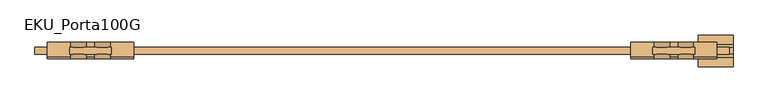
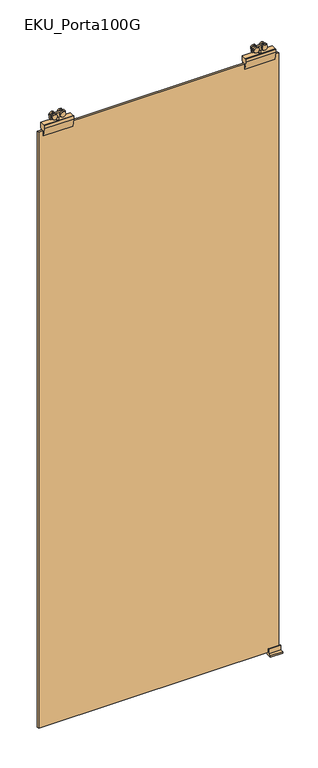
"""IFC4 building model written with IfcOpenShell, lengths in millimetres: door geometry, EKU_Porta100G."""

from ifc_helpers import new_model, si_unit, point, frame, frame_2d, origin, place, context, project, spatial, polyline, circle_curve, trimmed, segment, composite_curve, outline, extrude, source, transform, mapped, element, save


def eku_porta100g_1d5652cc(model_context):
    return source(origin(), model_context, "Body", "SweptSolid", [
        extrude(outline(polyline([(-12.5, 12.25), (47.5, 12.25), (47.5, 2.25), (-12.5, 2.25), (-12.5, 12.25)])), frame((0.0, 0.0, 2672.4593609), z_axis=(0.0, 0.0, 1.0), x_axis=(1.0, 0.0, 0.0)), (0.0, 0.0, 1.0), 18.5406391),
        extrude(outline(composite_curve([segment(trimmed(circle_curve(frame_2d((2683.5071727, 0.3437193)), 11.0), [point((2683.5071727, 11.3437193))], [point((2683.5071727, -10.6562807))], False, "CARTESIAN"), True, "CONTINUOUS"), segment(trimmed(circle_curve(frame_2d((2683.5071727, 0.3437193)), 11.0), [point((2683.5071727, -10.6562807))], [point((2683.5071727, 11.3437193))], False, "CARTESIAN"), True, "CONTINUOUS")], self_intersect=False)), frame((0.0, -4.75, 0.0), z_axis=(0.0, 1.0, 0.0), x_axis=(0.0, 0.0, 1.0)), (0.0, 0.0, 1.0), 7.0),
        extrude(outline(composite_curve([segment(trimmed(circle_curve(frame_2d((2683.5, 0.3437193)), 11.0), [point((2683.5, 11.3437193))], [point((2683.5, -10.6562807))], False, "CARTESIAN"), True, "CONTINUOUS"), segment(trimmed(circle_curve(frame_2d((2683.5, 0.3437193)), 11.0), [point((2683.5, -10.6562807))], [point((2683.5, 11.3437193))], False, "CARTESIAN"), True, "CONTINUOUS")], self_intersect=False)), frame((0.0, 12.25, 0.0), z_axis=(0.0, 1.0, 0.0), x_axis=(0.0, 0.0, 1.0)), (0.0, 0.0, 1.0), 7.0),
        extrude(outline(composite_curve([segment(trimmed(circle_curve(frame_2d((2683.5071727, 34.7187193)), 11.0), [point((2683.5071727, 45.7187193))], [point((2683.5071727, 23.7187193))], False, "CARTESIAN"), True, "CONTINUOUS"), segment(trimmed(circle_curve(frame_2d((2683.5071727, 34.7187193)), 11.0), [point((2683.5071727, 23.7187193))], [point((2683.5071727, 45.7187193))], False, "CARTESIAN"), True, "CONTINUOUS")], self_intersect=False)), frame((0.0, -4.75, 0.0), z_axis=(0.0, 1.0, 0.0), x_axis=(0.0, 0.0, 1.0)), (0.0, 0.0, 1.0), 7.0),
        extrude(outline(composite_curve([segment(trimmed(circle_curve(frame_2d((2683.5, 34.7187193)), 11.0), [point((2683.5, 45.7187193))], [point((2683.5, 23.7187193))], False, "CARTESIAN"), True, "CONTINUOUS"), segment(trimmed(circle_curve(frame_2d((2683.5, 34.7187193)), 11.0), [point((2683.5, 23.7187193))], [point((2683.5, 45.7187193))], False, "CARTESIAN"), True, "CONTINUOUS")], self_intersect=False)), frame((0.0, 12.25, 0.0), z_axis=(0.0, 1.0, 0.0), x_axis=(0.0, 0.0, 1.0)), (0.0, 0.0, 1.0), 7.0),
        extrude(outline(polyline([(13.5, 2.25), (13.5, 12.25), (21.5, 12.25), (21.5, 2.25), (13.5, 2.25)])), frame((0.0, 0.0, 2661.0), z_axis=(0.0, 0.0, 1.0), x_axis=(1.0, 0.0, 0.0)), (0.0, 0.0, 1.0), 30.0),
        extrude(outline(polyline([(19.25, 2661.0), (19.25, 2647.0), (12.25, 2612.0), (12.25, 2634.0), (2.25, 2634.0), (2.25, 2612.0), (-4.75, 2647.0), (-4.75, 2661.0), (-2.442747, 2661.0), (19.25, 2661.0)])), frame((-44.5, 0.0, 0.0), z_axis=(1.0, 0.0, 0.0), x_axis=(0.0, 1.0, 0.0)), (0.0, 0.0, 1.0), 124.0),
        extrude(outline(polyline([(-792.5, 12.25), (-792.5, 2.25), (-852.5, 2.25), (-852.5, 12.25), (-792.5, 12.25)])), frame((0.0, 0.0, 2672.4593609), z_axis=(0.0, 0.0, 1.0), x_axis=(1.0, 0.0, 0.0)), (0.0, 0.0, 1.0), 18.5406391),
        extrude(outline(composite_curve([segment(trimmed(circle_curve(frame_2d((2683.5071727, -805.3437193)), 11.0), [point((2683.5071727, -816.3437193))], [point((2683.5071727, -794.3437193))], False, "CARTESIAN"), True, "CONTINUOUS"), segment(trimmed(circle_curve(frame_2d((2683.5071727, -805.3437193)), 11.0), [point((2683.5071727, -794.3437193))], [point((2683.5071727, -816.3437193))], False, "CARTESIAN"), True, "CONTINUOUS")], self_intersect=False)), frame((0.0, -4.75, 0.0), z_axis=(0.0, 1.0, 0.0), x_axis=(0.0, 0.0, 1.0)), (0.0, 0.0, 1.0), 7.0),
        extrude(outline(composite_curve([segment(trimmed(circle_curve(frame_2d((2683.5, -805.3437193)), 11.0), [point((2683.5, -816.3437193))], [point((2683.5, -794.3437193))], False, "CARTESIAN"), True, "CONTINUOUS"), segment(trimmed(circle_curve(frame_2d((2683.5, -805.3437193)), 11.0), [point((2683.5, -794.3437193))], [point((2683.5, -816.3437193))], False, "CARTESIAN"), True, "CONTINUOUS")], self_intersect=False)), frame((0.0, 12.25, 0.0), z_axis=(0.0, 1.0, 0.0), x_axis=(0.0, 0.0, 1.0)), (0.0, 0.0, 1.0), 7.0),
        extrude(outline(composite_curve([segment(trimmed(circle_curve(frame_2d((2683.5071727, -839.7187193)), 11.0), [point((2683.5071727, -850.7187193))], [point((2683.5071727, -828.7187193))], False, "CARTESIAN"), True, "CONTINUOUS"), segment(trimmed(circle_curve(frame_2d((2683.5071727, -839.7187193)), 11.0), [point((2683.5071727, -828.7187193))], [point((2683.5071727, -850.7187193))], False, "CARTESIAN"), True, "CONTINUOUS")], self_intersect=False)), frame((0.0, -4.75, 0.0), z_axis=(0.0, 1.0, 0.0), x_axis=(0.0, 0.0, 1.0)), (0.0, 0.0, 1.0), 7.0),
        extrude(outline(composite_curve([segment(trimmed(circle_curve(frame_2d((2683.5, -839.7187193)), 11.0), [point((2683.5, -850.7187193))], [point((2683.5, -828.7187193))], False, "CARTESIAN"), True, "CONTINUOUS"), segment(trimmed(circle_curve(frame_2d((2683.5, -839.7187193)), 11.0), [point((2683.5, -828.7187193))], [point((2683.5, -850.7187193))], False, "CARTESIAN"), True, "CONTINUOUS")], self_intersect=False)), frame((0.0, 12.25, 0.0), z_axis=(0.0, 1.0, 0.0), x_axis=(0.0, 0.0, 1.0)), (0.0, 0.0, 1.0), 7.0),
        extrude(outline(polyline([(-818.5, 2.25), (-826.5, 2.25), (-826.5, 12.25), (-818.5, 12.25), (-818.5, 2.25)])), frame((0.0, 0.0, 2661.0), z_axis=(0.0, 0.0, 1.0), x_axis=(1.0, 0.0, 0.0)), (0.0, 0.0, 1.0), 30.0),
        extrude(outline(polyline([(19.25, 2661.0), (19.25, 2647.0), (12.25, 2612.0), (12.25, 2634.0), (2.25, 2634.0), (2.25, 2612.0), (-4.75, 2647.0), (-4.75, 2661.0), (-2.442747, 2661.0), (19.25, 2661.0)])), frame((-884.5, 0.0, 0.0), z_axis=(1.0, 0.0, 0.0), x_axis=(0.0, 1.0, 0.0)), (0.0, 0.0, 1.0), 124.0),
        extrude(outline(polyline([(-902.5, 2.25), (-902.5, 12.25), (97.5, 12.25), (97.5, 2.25), (-902.5, 2.25)])), frame((0.0, 0.0, 10.0), z_axis=(0.0, 0.0, 1.0), x_axis=(1.0, 0.0, 0.0)), (0.0, 0.0, 1.0), 2624.0),
        extrude(outline(polyline([(-15.3483682, 5.75), (-1.6516318, 5.75), (-1.6516318, 26.0), (2.25, 26.0), (2.25, 10.0), (12.25, 10.0), (12.25, 26.0), (16.1516318, 26.0), (16.1516318, 5.75), (29.8483682, 5.75), (29.8483682, 0.0), (-15.3483682, 0.0), (-15.3483682, 5.75)])), frame((52.5, 0.0, 0.0), z_axis=(1.0, 0.0, 0.0), x_axis=(0.0, 1.0, 0.0)), (0.0, 0.0, 1.0), 50.4100933),
    ])


if __name__ == "__main__":
    model = new_model("IFC4")
    model_context = context("Model", 3, world=origin())
    ifc_project = project(units=[si_unit("LENGTHUNIT", "METRE", prefix="MILLI")], contexts=[model_context])
    site = spatial("IfcSite", under=ifc_project)
    building = spatial("IfcBuilding", under=site)
    placement = place(None, origin())
    eku_porta100g_shape = eku_porta100g_1d5652cc(model_context)
    element("IfcDoor", 1, ObjectType="EKU_Porta100G", at=placement, inside=building, context=model_context, shape_type="MappedRepresentation", body=[
        mapped(eku_porta100g_shape, transform((0.0, 0.0, 0.0), x_axis=(1.0, 0.0, 0.0), y_axis=(0.0, 1.0, 0.0), z_axis=(0.0, 0.0, 1.0))),
    ])
    save(model, "model.ifc")
